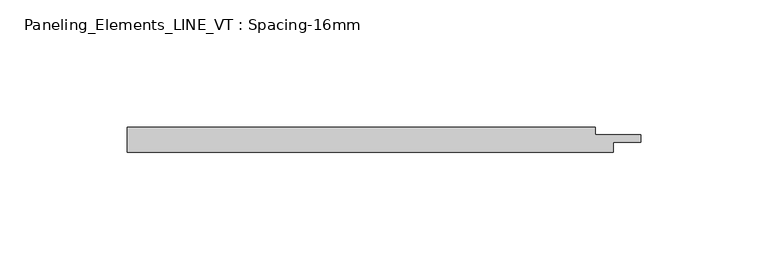
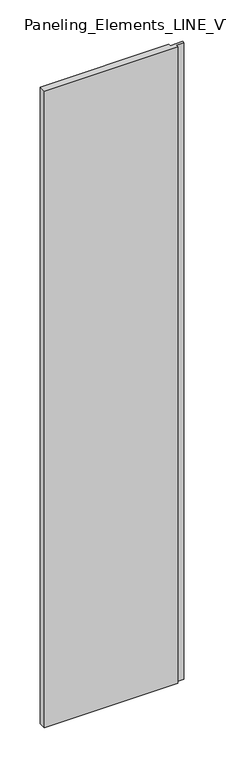
"""IFC4 building model written with IfcOpenShell, lengths in millimetres: plate geometry, Paneling_Elements_LINE_VT : Spacing-16mm."""

from ifc_helpers import new_model, si_unit, origin, origin_with_axes, place, context, project, spatial, polyline, outline, extrude, source, transform, mapped, element, save


def paneling_elements_line_vt_spacing_16mm_5dbb98ba(model_context):
    return source(origin(), model_context, "Body", "SweptSolid", [
        extrude(outline(polyline([(-95.65, -5.0), (-95.65, 5.0), (88.65, 5.0), (88.65, 2.0), (106.65, 2.0), (106.65, -1.0), (95.65, -1.0), (95.65, -5.0), (-95.65, -5.0)])), origin_with_axes(), (0.0, 0.0, 1.0), 964.5),
    ])


if __name__ == "__main__":
    model = new_model("IFC4")
    model_context = context("Model", 3, world=origin())
    ifc_project = project(units=[si_unit("LENGTHUNIT", "METRE", prefix="MILLI")], contexts=[model_context])
    site = spatial("IfcSite", under=ifc_project)
    building = spatial("IfcBuilding", under=site)
    placement = place(None, origin())
    paneling_elements_line_vt_spacing_16mm_shape = paneling_elements_line_vt_spacing_16mm_5dbb98ba(model_context)
    element("IfcPlate", 1, ObjectType="Paneling_Elements_LINE_VT : Spacing-16mm", at=placement, inside=building, context=model_context, shape_type="MappedRepresentation", body=[
        mapped(paneling_elements_line_vt_spacing_16mm_shape, transform((0.0, 0.0, 0.0), x_axis=(1.0, 0.0, 0.0), y_axis=(0.0, 1.0, 0.0), z_axis=(0.0, 0.0, 1.0))),
    ])
    save(model, "model.ifc")
